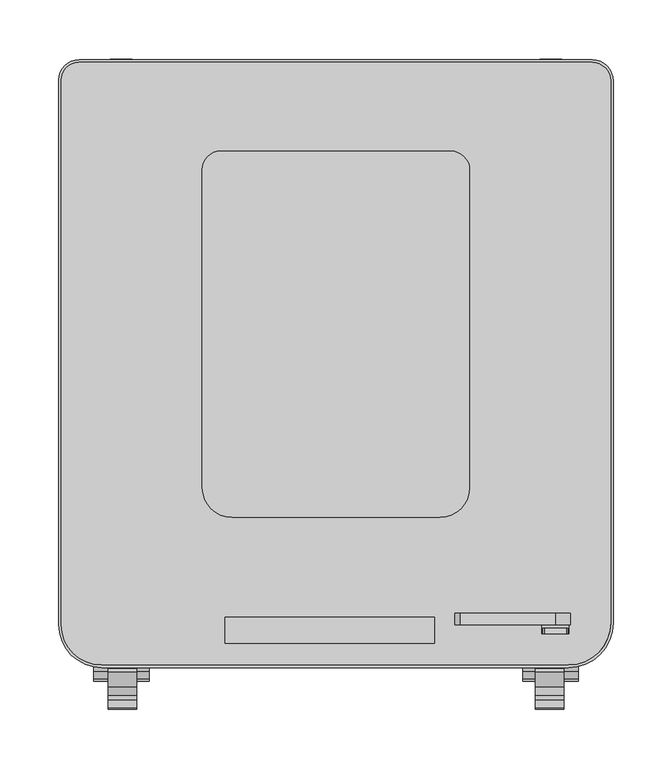
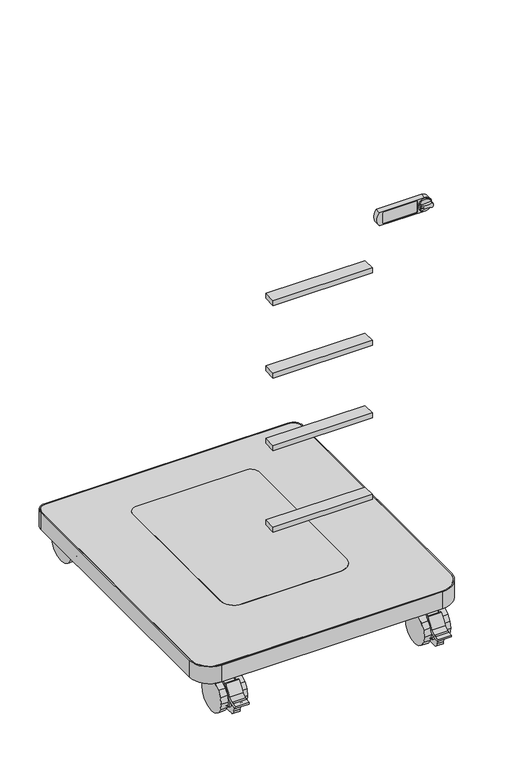
"""IFC4 building model written with IfcOpenShell, lengths in millimetres: furniture geometry."""

import ifcopenshell
import ifcopenshell.guid

model = None  # the IFC model being written
_history = None  # IfcOwnerHistory: only IFC2X3 demands one
_inside = {}  # id of a spatial element -> (the spatial element, [elements in it])
_under = {}  # id of a project, library or spatial element -> (it, [spatial elements below it])
_declared = {}  # id of a project -> (the project, [libraries it declares])
_typed = {}  # id of a type object -> (the type object, [elements of that type])
_made_of = {}  # id of a material, layer set ... -> (it, [elements and type objects made of it])


def new_model(schema):
    """Start an empty IFC model of exactly this schema.

    Asked for "IFC4X3", IfcOpenShell would pick the latest addendum, in which some entities
    have other attributes; the version numbers below select the first issue.
    IFC2X3 requires an IfcOwnerHistory on every rooted entity: one is made here for all.
    """
    global model, _history
    if schema == "IFC4X3":
        model = ifcopenshell.file(schema_version=(4, 3, 0, 0))
    else:
        model = ifcopenshell.file(schema=schema)
    _inside.clear()
    _under.clear()
    _declared.clear()
    _typed.clear()
    _made_of.clear()
    _history = None
    if model.schema == "IFC2X3":
        org = make("IfcOrganization", Name="unknown")
        user = make(
            "IfcPersonAndOrganization",
            ThePerson=make("IfcPerson", FamilyName="unknown"),
            TheOrganization=org,
        )
        app = make(
            "IfcApplication",
            ApplicationDeveloper=org,
            Version="unknown",
            ApplicationFullName="unknown",
            ApplicationIdentifier="unknown",
        )
        _history = make(
            "IfcOwnerHistory",
            OwningUser=user,
            OwningApplication=app,
            ChangeAction="ADDED",
            CreationDate=0,
        )
    return model


def make(cls, **values):
    """One entity of the class cls with the attributes given. An attribute that is None is left unset."""
    return model.create_entity(
        cls, **{name: value for name, value in values.items() if value is not None}
    )


def rooted(cls, **values):
    """An entity with a GlobalId (a new one), such as an element, a storey or a relation."""
    return make(cls, GlobalId=ifcopenshell.guid.new(), OwnerHistory=_history, **values)


def si_unit(unit_type, name, prefix=None):
    """IfcSIUnit, for example si_unit("LENGTHUNIT", "METRE", prefix="MILLI")."""
    return make("IfcSIUnit", UnitType=unit_type, Prefix=prefix, Name=name)


def assignment(units):
    """IfcUnitAssignment: the units of a project."""
    return None if units is None else make("IfcUnitAssignment", Units=units)


def point(xyz):
    """IfcCartesianPoint."""
    return None if xyz is None else make("IfcCartesianPoint", Coordinates=xyz)


def direction(xyz):
    """IfcDirection."""
    return None if xyz is None else make("IfcDirection", DirectionRatios=xyz)


def frame(location, z_axis=None, x_axis=None):
    """IfcAxis2Placement3D, a coordinate frame: its origin and axes. An axis left out is left unset."""
    return make(
        "IfcAxis2Placement3D",
        Location=point(location),
        Axis=direction(z_axis),
        RefDirection=direction(x_axis),
    )


def frame_2d(location, x_axis=None):
    """IfcAxis2Placement2D, a coordinate frame in the plane: its origin and x axis."""
    return make(
        "IfcAxis2Placement2D", Location=point(location), RefDirection=direction(x_axis)
    )


def origin():
    """The frame at (0, 0, 0) with its axes left unset."""
    return frame((0.0, 0.0, 0.0))


def place(relative_to, where):
    """IfcLocalPlacement: puts the frame where relative to a parent placement (None: the world)."""
    return make(
        "IfcLocalPlacement", PlacementRelTo=relative_to, RelativePlacement=where
    )


def context(
    kind, dimensions, precision=None, world=None, true_north=None, identifier=None
):
    """IfcGeometricRepresentationContext, for example the 3D "Model" context."""
    return make(
        "IfcGeometricRepresentationContext",
        ContextIdentifier=identifier,
        ContextType=kind,
        CoordinateSpaceDimension=dimensions,
        Precision=precision,
        WorldCoordinateSystem=world,
        TrueNorth=true_north,
    )


def project(units=None, contexts=None):
    """IfcProject with its units and contexts."""
    return rooted(
        "IfcProject",
        Name="project",
        RepresentationContexts=contexts,
        UnitsInContext=assignment(units),
    )


def spatial(cls, under=None, at=None, **own):
    """A site, building, storey or space (cls), placed at a placement, below another one or the project."""
    s = rooted(cls, ObjectPlacement=at, **own)
    if under is not None:
        _under.setdefault(under.id(), (under, []))[1].append(s)
    return s


def polyline(points):
    """IfcPolyline through the points."""
    return make("IfcPolyline", Points=[point(p) for p in points])


def circle_curve(where, radius):
    """IfcCircle in the frame where."""
    return make("IfcCircle", Position=where, Radius=radius)


def trimmed(basis, trim1, trim2, sense, master):
    """IfcTrimmedCurve: the piece of a basis curve between two trims."""
    return make(
        "IfcTrimmedCurve",
        BasisCurve=basis,
        Trim1=trim1,
        Trim2=trim2,
        SenseAgreement=sense,
        MasterRepresentation=master,
    )


def segment(curve, same_sense, transition):
    """IfcCompositeCurveSegment."""
    return make(
        "IfcCompositeCurveSegment",
        Transition=transition,
        SameSense=same_sense,
        ParentCurve=curve,
    )


def composite_curve(segments, self_intersect=None):
    """IfcCompositeCurve: segments joined end to end."""
    return make("IfcCompositeCurve", Segments=segments, SelfIntersect=self_intersect)


def outline(outer, holes=None, kind="AREA"):
    """IfcArbitraryClosedProfileDef: a profile drawn as a closed curve; with holes, ...WithVoids."""
    if holes is None:
        return make("IfcArbitraryClosedProfileDef", ProfileType=kind, OuterCurve=outer)
    return make(
        "IfcArbitraryProfileDefWithVoids",
        ProfileType=kind,
        OuterCurve=outer,
        InnerCurves=holes,
    )


def extrude(swept, where, along, depth):
    """IfcExtrudedAreaSolid: the profile swept, set in the frame where, extruded along a direction by depth."""
    return make(
        "IfcExtrudedAreaSolid",
        SweptArea=swept,
        Position=where,
        ExtrudedDirection=direction(along),
        Depth=depth,
    )


def shape(context_of_items, identifier, shape_type, items):
    """IfcShapeRepresentation: the items that make up one representation, for example the "Body"."""
    return make(
        "IfcShapeRepresentation",
        ContextOfItems=context_of_items,
        RepresentationIdentifier=identifier,
        RepresentationType=shape_type,
        Items=items,
    )


def source(mapping_origin, context_of_items, identifier, shape_type, items):
    """IfcRepresentationMap: a shape defined once, which mapped items show again and again."""
    return make(
        "IfcRepresentationMap",
        MappingOrigin=mapping_origin,
        MappedRepresentation=shape(context_of_items, identifier, shape_type, items),
    )


def transform(
    local_origin,
    x_axis=None,
    y_axis=None,
    z_axis=None,
    scale=None,
    scale2=None,
    scale3=None,
    uniform=True,
):
    """IfcCartesianTransformationOperator3D, or its non-uniform kind. x_axis, y_axis, z_axis: its Axis1, 2, 3."""
    if uniform:
        return make(
            "IfcCartesianTransformationOperator3D",
            Axis1=direction(x_axis),
            Axis2=direction(y_axis),
            LocalOrigin=point(local_origin),
            Scale=scale,
            Axis3=direction(z_axis),
        )
    return make(
        "IfcCartesianTransformationOperator3DnonUniform",
        Axis1=direction(x_axis),
        Axis2=direction(y_axis),
        LocalOrigin=point(local_origin),
        Scale=scale,
        Axis3=direction(z_axis),
        Scale2=scale2,
        Scale3=scale3,
    )


def mapped(mapping_source, mapping_target):
    """IfcMappedItem: shows the shape of a source again, moved by a transform."""
    return make(
        "IfcMappedItem", MappingSource=mapping_source, MappingTarget=mapping_target
    )


def made_of(thing, what):
    """Note that an element or type object is made of a material, layer set ...; save() writes the relation."""
    if what is not None:
        _made_of.setdefault(what.id(), (what, []))[1].append(thing)
    return thing


def element(
    cls,
    number,
    at=None,
    inside=None,
    cuts=None,
    type_object=None,
    material=None,
    context=None,
    identifier="Body",
    shape_type=None,
    held_by="IfcProductDefinitionShape",
    body=None,
    shapes=None,
    **own,
):
    """One element of the class cls, such as IfcWall. Its Tag is "e" and its number.

    at: its placement. inside: the storey or other place that contains it. cuts: it is an
    opening in that element (IfcRelVoidsElement). A single representation is given by context,
    identifier, shape_type and body (its items); several are given by shapes. held_by: the class
    of the entity that holds the representations. save() writes the other relations.
    """
    e = rooted(cls, Tag="e%d" % number, ObjectPlacement=at, **own)
    if body is not None:
        shapes = [shape(context, identifier, shape_type, body)]
    if shapes is not None:
        e.Representation = make(held_by, Representations=shapes)
    if inside is not None:
        _inside.setdefault(inside.id(), (inside, []))[1].append(e)
    if cuts is not None:
        rooted(
            "IfcRelVoidsElement", RelatingBuildingElement=cuts, RelatedOpeningElement=e
        )
    if type_object is not None:
        _typed.setdefault(type_object.id(), (type_object, []))[1].append(e)
    return made_of(e, material)


def aggregate(whole, parts):
    """IfcRelAggregates: a whole, such as a stair, and the parts it consists of."""
    return rooted("IfcRelAggregates", RelatingObject=whole, RelatedObjects=parts)


def save(model, path):
    """Write the relations noted so far, then the file.

    IfcRelAggregates (storeys below a building ...), IfcRelContainedInSpatialStructure (elements
    in a storey), IfcRelDefinesByType, IfcRelAssociatesMaterial and IfcRelDeclares: one each for
    every whole, place, type object, material and project.
    """
    for whole, parts in _under.values():
        aggregate(whole, parts)
    for where, things in _inside.values():
        rooted(
            "IfcRelContainedInSpatialStructure",
            RelatedElements=things,
            RelatingStructure=where,
        )
    for kind, things in _typed.values():
        rooted("IfcRelDefinesByType", RelatedObjects=things, RelatingType=kind)
    for what, things in _made_of.values():
        rooted("IfcRelAssociatesMaterial", RelatedObjects=things, RelatingMaterial=what)
    for by, libraries in _declared.values():
        rooted("IfcRelDeclares", RelatingContext=by, RelatedDefinitions=libraries)
    model.write(path)


def plane_surface(at):
    """IfcPlane: the flat surface through the origin of the frame at, square to its z axis."""
    return make("IfcPlane", Position=at)


def cylinder_surface(at, radius):
    """IfcCylindricalSurface: all points at the distance radius from the z axis of the frame at."""
    return make("IfcCylindricalSurface", Position=at, Radius=radius)


def revolved_surface(curve, axis_point, axis_direction):
    """IfcSurfaceOfRevolution: the curve turned about the line through axis_point along axis_direction."""
    return make(
        "IfcSurfaceOfRevolution",
        SweptCurve=make("IfcArbitraryOpenProfileDef", ProfileType="CURVE", Curve=curve),
        AxisPosition=make("IfcAxis1Placement", Location=point(axis_point), Axis=direction(axis_direction)),
    )


def advanced_brep(points, edges, surfaces, faces):
    """IfcAdvancedBrep: a solid bounded by faces that lie on surfaces and meet in shared edges.

    An edge is (start, end): straight between two places in points (the first is 0);
    or (start, end, curve); or (start, end, curve, False) where it runs against its curve.
    A face is (place in surfaces, loops), or (place, loops, False) where it looks against
    its surface's normal. A loop lists edges by number (the first is 1), with a minus sign
    where the edge is run from its end to its start. The first loop is the outer one.
    """
    corners = [point(p) for p in points]
    vertices = [make("IfcVertexPoint", VertexGeometry=c) for c in corners]
    made = []
    for start, end, *more in edges:
        made.append(
            make(
                "IfcEdgeCurve",
                EdgeStart=vertices[start],
                EdgeEnd=vertices[end],
                EdgeGeometry=more[0] if more else make("IfcPolyline", Points=[corners[start], corners[end]]),
                SameSense=more[1] if len(more) > 1 else True,
            )
        )
    hull = []
    for where, loops, *sense in faces:
        bounds = []
        for j, loop in enumerate(loops):
            ring = [make("IfcOrientedEdge", EdgeElement=made[abs(k) - 1], Orientation=k > 0) for k in loop]
            bounds.append(
                make(
                    "IfcFaceOuterBound" if j == 0 else "IfcFaceBound",
                    Bound=make("IfcEdgeLoop", EdgeList=ring),
                    Orientation=True,
                )
            )
        hull.append(make("IfcAdvancedFace", Bounds=bounds, FaceSurface=surfaces[where], SameSense=sense[0] if sense else True))
    return make("IfcAdvancedBrep", Outer=make("IfcClosedShell", CfsFaces=hull))


def furniture_078cb48d(model_context):
    return source(origin(), model_context, "Body", "SolidModel", [
        advanced_brep(
        [(174.9456059, -254.5969037, 811.7000103), (175.3338382, -254.5969037, 808.7463234), (177.0907575, -254.5969037, 807.8330439), (196.2238044, -254.5969037, 807.8028949), (197.4173736, -254.5969037, 808.7463234), (197.8056059, -254.5969037, 811.7000103), (197.4173736, -254.5969037, 814.6536973), (196.2238044, -254.5969037, 815.5971258), (177.0907575, -254.5969037, 815.5669768), (175.3338382, -254.5969037, 814.6536973), (176.9629665, -254.5969037, 812.4620103), (180.2535281, -254.5969037, 812.4620103), (180.2535281, -254.5969037, 810.9380103), (176.9629665, -254.5969037, 810.9380103), (174.9456059, -246.9769037, 811.7000103), (197.8056059, -246.9769037, 811.7000103), (197.4173736, -249.149344, 808.7463234), (175.3338382, -249.149344, 808.7463234), (175.3338382, -249.149344, 814.6536973), (197.4173736, -249.149344, 814.6536973), (196.2238044, -249.149344, 815.5971258), (177.0907575, -249.149344, 815.5669768), (196.2238044, -249.149344, 807.8028949), (177.0907575, -249.149344, 807.8330439), (180.2535281, -253.3727737, 812.4620103), (176.9629665, -253.3727737, 812.4620103), (176.9629665, -253.3727737, 810.9380103), (180.2535281, -253.3727737, 810.9380103)],
        [
            (0, 1, circle_curve(frame((186.3756059, -254.5969037, 811.7000103), z_axis=(0.0, -1.0, 0.0), x_axis=(1.0, 0.0, 0.0)), 11.43)),
            (1, 2, circle_curve(frame((176.7304878, -254.5969037, 809.2865503), z_axis=(0.0, -1.0, 0.0), x_axis=(1.0, 0.0, 0.0)), 1.4974896)),
            (2, 3, circle_curve(frame((186.5968707, -254.5969037, 769.480668), z_axis=(0.0, 1.0, 0.0), x_axis=(1.0, 0.0, 0.0)), 39.512921)),
            (3, 4, circle_curve(frame((196.020724, -254.5969037, 809.2865503), z_axis=(0.0, -1.0, 0.0), x_axis=(1.0, 0.0, 0.0)), 1.4974896)),
            (4, 5, circle_curve(frame((186.3756059, -254.5969037, 811.7000103), z_axis=(0.0, -1.0, 0.0), x_axis=(1.0, 0.0, 0.0)), 11.43)),
            (5, 6, circle_curve(frame((186.3756059, -254.5969037, 811.7000103), z_axis=(0.0, -1.0, 0.0), x_axis=(1.0, 0.0, 0.0)), 11.43)),
            (6, 7, circle_curve(frame((196.020724, -254.5969037, 814.1134703), z_axis=(0.0, -1.0, 0.0), x_axis=(1.0, 0.0, 0.0)), 1.4974896)),
            (7, 8, circle_curve(frame((186.5968707, -254.5969037, 853.9193527), z_axis=(0.0, 1.0, 0.0), x_axis=(1.0, 0.0, 0.0)), 39.512921)),
            (8, 9, circle_curve(frame((176.7304878, -254.5969037, 814.1134703), z_axis=(0.0, -1.0, 0.0), x_axis=(1.0, 0.0, 0.0)), 1.4974896)),
            (9, 0, circle_curve(frame((186.3756059, -254.5969037, 811.7000103), z_axis=(0.0, -1.0, 0.0), x_axis=(1.0, 0.0, 0.0)), 11.43)),
            (10, 11),
            (11, 12, circle_curve(frame((180.2535281, -254.5969037, 811.7000103), z_axis=(0.0, 1.0, 0.0), x_axis=(-1.0, 0.0, 0.0)), 0.762)),
            (12, 13),
            (13, 10, circle_curve(frame((176.9629665, -254.5969037, 811.7000103), z_axis=(0.0, 1.0, 0.0), x_axis=(1.0, 0.0, 0.0)), 0.762)),
            (14, 15, circle_curve(frame((186.3756059, -246.9769037, 811.7000103), z_axis=(0.0, 1.0, 0.0), x_axis=(1.0, 0.0, 0.0)), 11.43)),
            (15, 14, circle_curve(frame((186.3756059, -246.9769037, 811.7000103), z_axis=(0.0, 1.0, 0.0), x_axis=(1.0, 0.0, 0.0)), 11.43)),
            (15, 5),
            (4, 16),
            (16, 17, circle_curve(frame((186.3756059, -249.149344, 811.7000103), z_axis=(0.0, 1.0, 0.0), x_axis=(1.0, 0.0, 0.0)), 11.43)),
            (17, 1),
            (0, 14),
            (9, 18),
            (18, 19, circle_curve(frame((186.3756059, -249.149344, 811.7000103), z_axis=(0.0, 1.0, 0.0), x_axis=(1.0, 0.0, 0.0)), 11.43)),
            (19, 6),
            (20, 19, circle_curve(frame((196.020724, -249.149344, 814.1134703), z_axis=(0.0, 1.0, 0.0), x_axis=(1.0, 0.0, 0.0)), 1.4974896)),
            (18, 21, circle_curve(frame((176.7304878, -249.149344, 814.1134703), z_axis=(0.0, 1.0, 0.0), x_axis=(1.0, 0.0, 0.0)), 1.4974896)),
            (21, 20, circle_curve(frame((186.5968707, -249.149344, 853.9193527), z_axis=(0.0, -1.0, 0.0), x_axis=(1.0, 0.0, 0.0)), 39.512921)),
            (22, 23, circle_curve(frame((186.5968707, -249.149344, 769.480668), z_axis=(0.0, -1.0, 0.0), x_axis=(1.0, 0.0, 0.0)), 39.512921)),
            (23, 17, circle_curve(frame((176.7304878, -249.149344, 809.2865503), z_axis=(0.0, 1.0, 0.0), x_axis=(1.0, 0.0, 0.0)), 1.4974896)),
            (16, 22, circle_curve(frame((196.020724, -249.149344, 809.2865503), z_axis=(0.0, 1.0, 0.0), x_axis=(1.0, 0.0, 0.0)), 1.4974896)),
            (20, 7),
            (8, 21),
            (22, 3),
            (2, 23),
            (24, 25),
            (25, 26, circle_curve(frame((176.9629665, -253.3727737, 811.7000103), z_axis=(0.0, -1.0, 0.0), x_axis=(1.0, 0.0, 0.0)), 0.762)),
            (26, 27),
            (27, 24, circle_curve(frame((180.2535281, -253.3727737, 811.7000103), z_axis=(0.0, -1.0, 0.0), x_axis=(-1.0, 0.0, 0.0)), 0.762)),
            (24, 11),
            (10, 25),
            (13, 26),
            (12, 27),
        ],
        [
            plane_surface(frame((197.8056059, -254.5969037, 811.7000103), z_axis=(0.0, -1.0, 0.0), x_axis=(0.0, 0.0, 1.0))),
            plane_surface(frame((197.8056059, -246.9769037, 811.7000103), z_axis=(0.0, 1.0, 0.0), x_axis=(0.0, 0.0, -1.0))),
            cylinder_surface(frame((186.3756059, -246.9769037, 811.7000103), z_axis=(0.0, -1.0, 0.0), x_axis=(1.0, 0.0, 0.0)), 11.43),
            plane_surface(frame((197.5182136, -249.149344, 814.1134703), z_axis=(0.0, -1.0, 0.0), x_axis=(0.0, 0.0, 1.0))),
            cylinder_surface(frame((196.020724, -249.149344, 814.1134703), z_axis=(0.0, 1.0, 0.0), x_axis=(1.0, 0.0, 0.0)), 1.4974896),
            cylinder_surface(frame((176.7304878, -249.149344, 814.1134703), z_axis=(0.0, 1.0, 0.0), x_axis=(1.0, 0.0, 0.0)), 1.4974896),
            revolved_surface(polyline([(226.10979170000002, -254.5969037, 853.9193527), (226.10979170000002, -249.149344, 853.9193527)]), (186.5968707, -249.149344, 853.9193527), (0.0, -1.0, 0.0)),
            revolved_surface(polyline([(226.10979170000002, -254.5969037, 769.480668), (226.10979170000002, -249.149344, 769.480668)]), (186.5968707, -237.0709037, 769.480668), (0.0, -1.0, 0.0)),
            cylinder_surface(frame((176.7304878, -237.0709037, 809.2865503), z_axis=(0.0, 1.0, 0.0), x_axis=(1.0, 0.0, 0.0)), 1.4974896),
            cylinder_surface(frame((196.020724, -237.0709037, 809.2865503), z_axis=(0.0, 1.0, 0.0), x_axis=(1.0, 0.0, 0.0)), 1.4974896),
            plane_surface(frame((101.1693092, -253.3727737, 812.4620103), z_axis=(0.0, -1.0, 0.0), x_axis=(1.0, 0.0, 0.0))),
            plane_surface(frame((180.2535281, -254.5969037, 812.4620103), z_axis=(0.0, 0.0, -1.0), x_axis=(0.0, 1.0, 0.0))),
            revolved_surface(polyline([(177.7249665, -254.5969037, 811.7000103), (177.7249665, -253.3727737, 811.7000103)]), (176.9629665, -253.3727737, 811.7000103), (0.0, -1.0, 0.0)),
            plane_surface(frame((176.9629665, -254.5969037, 810.9380103), z_axis=(0.0, 0.0, 1.0), x_axis=(0.0, 1.0, 0.0))),
            revolved_surface(polyline([(179.4915281, -254.5969037, 811.7000103), (179.4915281, -253.3727737, 811.7000103)]), (180.2535281, -253.3727737, 811.7000103), (0.0, -1.0, 0.0)),
        ],
        [
            (0, [[1, 2, 3, 4, 5, 6, 7, 8, 9, 10], [11, 12, 13, 14]]),
            (1, [[15, 16]]),
            (2, [[-16, 17, -5, 18, 19, 20, -1, 21]]),
            (2, [[-15, -21, -10, 22, 23, 24, -6, -17]]),
            (3, [[25, -23, 26, 27]]),
            (3, [[28, 29, -19, 30]]),
            (4, [[-25, 31, -7, -24]]),
            (5, [[-26, -22, -9, 32]]),
            (6, [[-27, -32, -8, -31]]),
            (7, [[-28, 33, -3, 34]]),
            (8, [[-29, -34, -2, -20]]),
            (9, [[-30, -18, -4, -33]]),
            (10, [[35, 36, 37, 38]]),
            (11, [[-35, 39, -11, 40]]),
            (12, [[-36, -40, -14, 41]]),
            (13, [[-37, -41, -13, 42]]),
            (14, [[-38, -42, -12, -39]]),
        ],
    ),
        advanced_brep(
        [(105.8185825, -246.9769037, 824.4000103), (105.8185825, -246.9769037, 799.0000103), (186.5091543, -246.9769037, 799.0000103), (186.5091543, -246.9769037, 824.4000103), (171.2149809, -246.9769037, 800.2700103), (114.5994284, -246.9769037, 800.2700103), (112.0594284, -246.9769037, 802.8100103), (112.0594284, -246.9769037, 820.5900103), (114.5994284, -246.9769037, 823.1300103), (171.2149809, -246.9769037, 823.1300103), (173.7549809, -246.9769037, 820.5900103), (173.7549809, -246.9769037, 802.8100103), (105.8185825, -237.0709037, 824.4000103), (186.5091543, -237.0709037, 824.4000103), (186.5091543, -237.0709037, 799.0000103), (105.8185825, -237.0709037, 799.0000103), (112.0594284, -245.4701199, 802.8100103), (114.5994284, -245.4701199, 800.2700103), (171.2149809, -245.4701199, 800.2700103), (173.7549809, -245.4701199, 802.8100103), (173.7549809, -245.4701199, 820.5900103), (171.2149809, -245.4701199, 823.1300103), (114.5994284, -245.4701199, 823.1300103), (112.0594284, -245.4701199, 820.5900103)],
        [
            (0, 1, circle_curve(frame((120.8396674, -246.9769037, 811.7000103), z_axis=(0.0, -1.0, 0.0), x_axis=(1.0, 0.0, 0.0)), 19.6703582)),
            (1, 2),
            (2, 3, circle_curve(frame((186.5091543, -246.9769037, 811.7000103), z_axis=(0.0, -1.0, 0.0), x_axis=(1.0, 0.0, 0.0)), 12.7)),
            (3, 0),
            (4, 5),
            (5, 6, circle_curve(frame((114.5994284, -246.9769037, 802.8100103), z_axis=(0.0, 1.0, 0.0), x_axis=(1.0, 0.0, 0.0)), 2.54)),
            (6, 7),
            (7, 8, circle_curve(frame((114.5994284, -246.9769037, 820.5900103), z_axis=(0.0, 1.0, 0.0), x_axis=(1.0, 0.0, 0.0)), 2.54)),
            (8, 9),
            (9, 10, circle_curve(frame((171.2149809, -246.9769037, 820.5900103), z_axis=(0.0, 1.0, 0.0), x_axis=(1.0, 0.0, 0.0)), 2.54)),
            (10, 11),
            (11, 4, circle_curve(frame((171.2149809, -246.9769037, 802.8100103), z_axis=(0.0, 1.0, 0.0), x_axis=(1.0, 0.0, 0.0)), 2.54)),
            (12, 13),
            (13, 14, circle_curve(frame((186.5091543, -237.0709037, 811.7000103), z_axis=(0.0, 1.0, 0.0), x_axis=(1.0, 0.0, 0.0)), 12.7)),
            (14, 15),
            (15, 12, circle_curve(frame((120.8396674, -237.0709037, 811.7000103), z_axis=(0.0, 1.0, 0.0), x_axis=(1.0, 0.0, 0.0)), 19.6703582)),
            (1, 15),
            (14, 2),
            (3, 13),
            (12, 0),
            (16, 17, circle_curve(frame((114.5994284, -245.4701199, 802.8100103), z_axis=(0.0, -1.0, 0.0), x_axis=(1.0, 0.0, 0.0)), 2.54)),
            (17, 18),
            (18, 19, circle_curve(frame((171.2149809, -245.4701199, 802.8100103), z_axis=(0.0, -1.0, 0.0), x_axis=(1.0, 0.0, 0.0)), 2.54)),
            (19, 20),
            (20, 21, circle_curve(frame((171.2149809, -245.4701199, 820.5900103), z_axis=(0.0, -1.0, 0.0), x_axis=(1.0, 0.0, 0.0)), 2.54)),
            (21, 22),
            (22, 23, circle_curve(frame((114.5994284, -245.4701199, 820.5900103), z_axis=(0.0, -1.0, 0.0), x_axis=(1.0, 0.0, 0.0)), 2.54)),
            (23, 16),
            (17, 5),
            (4, 18),
            (19, 11),
            (10, 20),
            (21, 9),
            (8, 22),
            (23, 7),
            (6, 16),
        ],
        [
            plane_surface(frame((140.5100256, -246.9769037, 811.7000103), z_axis=(0.0, -1.0, 0.0), x_axis=(0.0, 0.0, 1.0))),
            plane_surface(frame((140.5100256, -237.0709037, 811.7000103), z_axis=(0.0, 1.0, 0.0), x_axis=(0.0, 0.0, -1.0))),
            plane_surface(frame((105.8185825, -246.9769037, 799.0000103), z_axis=(0.0, 0.0, -1.0), x_axis=(0.0, 1.0, 0.0))),
            plane_surface(frame((186.5091543, -246.9769037, 824.4000103), z_axis=(-2.7896816115999427e-12, 0.0, 1.0), x_axis=(0.0, 1.0, 0.0))),
            plane_surface(frame((117.1394284, -245.4701199, 802.8100103), z_axis=(0.0, -1.0, 0.0), x_axis=(0.0, 0.0, -1.0))),
            cylinder_surface(frame((186.5091543, -237.0709037, 811.7000103), z_axis=(0.0, -1.0, 0.0), x_axis=(1.0, 0.0, 0.0)), 12.7),
            plane_surface(frame((114.5994284, -253.3727737, 800.2700103), z_axis=(3.053095094007366e-12, 0.0, 1.0), x_axis=(0.0, 1.0, 0.0))),
            plane_surface(frame((173.7549809, -253.3727737, 802.8100103), z_axis=(-1.0, 0.0, 0.0), x_axis=(0.0, 1.0, 0.0))),
            plane_surface(frame((171.2149809, -253.3727737, 823.1300103), z_axis=(0.0, 0.0, -1.0), x_axis=(0.0, 1.0, 0.0))),
            plane_surface(frame((112.0594284, -253.3727737, 820.5900103), z_axis=(1.0, 0.0, 0.0), x_axis=(0.0, 1.0, 0.0))),
            revolved_surface(polyline([(117.1394284, -246.9769037, 802.8100103), (117.1394284, -245.4701199, 802.8100103)]), (114.5994284, -245.4701199, 802.8100103), (0.0, -1.0, 0.0)),
            revolved_surface(polyline([(173.7549809, -246.9769037, 802.8100103), (173.7549809, -245.4701199, 802.8100103)]), (171.2149809, -245.4701199, 802.8100103), (0.0, -1.0, 0.0)),
            revolved_surface(polyline([(173.7549809, -246.9769037, 820.5900103), (173.7549809, -245.4701199, 820.5900103)]), (171.2149809, -245.4701199, 820.5900103), (0.0, -1.0, 0.0)),
            revolved_surface(polyline([(117.1394284, -246.9769037, 820.5900103), (117.1394284, -245.4701199, 820.5900103)]), (114.5994284, -245.4701199, 820.5900103), (0.0, -1.0, 0.0)),
            cylinder_surface(frame((120.8396674, -237.0709037, 811.7000103), z_axis=(0.0, -1.0, 0.0), x_axis=(1.0, 0.0, 0.0)), 19.6703582),
        ],
        [
            (0, [[1, 2, 3, 4], [5, 6, 7, 8, 9, 10, 11, 12]]),
            (1, [[13, 14, 15, 16]]),
            (2, [[-2, 17, -15, 18]]),
            (3, [[-4, 19, -13, 20]]),
            (4, [[21, 22, 23, 24, 25, 26, 27, 28]]),
            (5, [[-3, -18, -14, -19]]),
            (6, [[-22, 29, -5, 30]]),
            (7, [[-24, 31, -11, 32]]),
            (8, [[-26, 33, -9, 34]]),
            (9, [[-28, 35, -7, 36]]),
            (10, [[-21, -36, -6, -29]]),
            (11, [[-23, -30, -12, -31]]),
            (12, [[-25, -32, -10, -33]]),
            (13, [[-27, -34, -8, -35]]),
            (14, [[-1, -20, -16, -17]]),
        ],
    ),
        extrude(outline(polyline([(83.7683943, -262.4708916), (-94.0316057, -262.4708916), (-94.0316057, -240.2458916), (83.7683943, -240.2458916), (83.7683943, -262.4708916)])), frame((0.0, 0.0, 727.3953971), z_axis=(0.0, 0.0, 1.0), x_axis=(1.0, 0.0, 0.0)), (0.0, 0.0, 1.0), 9.525),
        extrude(outline(polyline([(83.7683943, -262.4708916), (-94.0316057, -262.4708916), (-94.0316057, -240.2458916), (83.7683943, -240.2458916), (83.7683943, -262.4708916)])), frame((0.0, 0.0, 589.8544102), z_axis=(0.0, 0.0, 1.0), x_axis=(1.0, 0.0, 0.0)), (0.0, 0.0, 1.0), 9.525),
        extrude(outline(polyline([(83.7683943, -262.4708916), (-94.0316057, -262.4708916), (-94.0316057, -240.2458916), (83.7683943, -240.2458916), (83.7683943, -262.4708916)])), frame((0.0, 0.0, 452.3388214), z_axis=(0.0, 0.0, 1.0), x_axis=(1.0, 0.0, 0.0)), (0.0, 0.0, 1.0), 9.525),
        extrude(outline(polyline([(83.7683943, -262.4708916), (-94.0316057, -262.4708916), (-94.0316057, -240.2458916), (83.7683943, -240.2458916), (83.7683943, -262.4708916)])), frame((0.0, 0.0, 297.8559544), z_axis=(0.0, 0.0, 1.0), x_axis=(1.0, 0.0, 0.0)), (0.0, 0.0, 1.0), 9.525),
        extrude(outline(polyline([(-179.0994786, 219.6339896), (-180.6568326, 218.5933918), (-182.493839, 218.227989), (-184.3308635, 218.5933918), (-185.8882175, 219.6339896), (-186.9287972, 221.1913255), (-187.2942, 223.02835), (-186.9287972, 224.8653745), (-185.8882008, 226.422724), (-184.3308476, 227.4633148), (-182.4938432, 227.8287134), (-180.6568145, 227.4633082), (-179.099465, 226.4227118), (-178.058887, 224.8653715), (-177.6934885, 223.0283414), (-178.0588808, 221.1913255), (-179.0994786, 219.6339896)])), frame((0.0, 0.0, 64.4644836), z_axis=(0.0, 0.0, 1.0), x_axis=(1.0, 0.0, 0.0)), (0.0, 0.0, 1.0), 18.4394813),
        extrude(outline(polyline([(-179.5331367, 215.4912374), (-182.5867294, 214.8838435), (-185.6403221, 215.4912374), (-188.2290267, 217.2209647), (-189.9587358, 219.8096693), (-190.5661479, 222.8632438), (-189.9587358, 225.9168365), (-188.2290267, 228.5055411), (-185.6403221, 230.2352684), (-182.5867294, 230.8426623), (-179.5331367, 230.2352684), (-176.9444321, 228.5055411), (-175.214723, 225.9168365), (-174.6073109, 222.8632438), (-175.214723, 219.8096693), (-176.9444321, 217.2209647), (-179.5331367, 215.4912374)])), frame((0.0, 0.0, 42.749396), z_axis=(0.0, 0.0, 1.0), x_axis=(1.0, 0.0, 0.0)), (0.0, 0.0, 1.0), 21.7150876),
        extrude(outline(polyline([(231.0669235, 17.6956967), (176.8415253, 20.1710389), (173.7398433, 19.5510005), (172.2845905, 29.9669209), (174.5643932, 41.4282898), (181.166988, 51.5050866), (191.2307996, 58.3368189), (203.0283535, 60.6446177), (214.8543395, 58.3376546), (224.7952116, 51.6771827), (231.3835631, 41.6915095), (233.7329976, 30.0477231), (231.0669235, 17.6956967)])), frame((-191.9948397, 0.0, 0.0), z_axis=(1.0, 0.0, 0.0), x_axis=(0.0, 1.0, 0.0)), (0.0, 0.0, 1.0), 18.61527),
        extrude(outline(composite_curve([segment(polyline([(165.4137527, 15.3668888), (161.2879325, 29.389165), (160.8738953, 30.311933), (159.6567821, 31.3792302), (158.5488192, 31.6764368)]), True, "CONTINUOUS"), segment(trimmed(circle_curve(frame_2d((152.3525742, 65.2351803)), 34.125983), [point((158.5488192, 31.6764368))], [point((164.1098282, 33.1984873))], True, "CARTESIAN"), True, "CONTINUOUS"), segment(trimmed(circle_curve(frame_2d((159.3787246, 46.0900108)), 13.7322511), [point((164.1098282, 33.1984873))], [point((171.9941479, 40.6654544))], True, "CARTESIAN"), True, "CONTINUOUS"), segment(polyline([(171.9941479, 40.6654544), (170.8091849, 36.053247), (170.2344431, 31.7921728), (169.4784028, 30.0308182), (170.9047692, 20.6240886), (176.089609, 18.2169715), (179.2383449, 19.3801216), (188.5056208, 11.9747256), (187.7807559, 7.9109196), (180.0693261, 8.7502409), (171.2554201, 8.5984367), (170.2635475, 7.9968825), (165.8474834, 11.0963521), (165.4137527, 15.3668888)]), True, "CONTINUOUS")], self_intersect=False)), frame((-188.6020166, 0.0, 0.0), z_axis=(1.0, 0.0, 0.0), x_axis=(0.0, 1.0, 0.0)), (0.0, 0.0, 1.0), 12.1089134),
        extrude(outline(composite_curve([segment(trimmed(circle_curve(frame_2d((209.194744, 25.2798481)), 44.5006169), [point((168.076378, 42.2970418))], [point((181.2293533, 59.8954779))], False, "CARTESIAN"), True, "CONTINUOUS"), segment(trimmed(circle_curve(frame_2d((181.2293533, 57.3575877)), 2.5378903), [point((181.2293533, 59.8954779))], [point((183.7672435, 57.3575877))], False, "CARTESIAN"), True, "CONTINUOUS"), segment(trimmed(circle_curve(frame_2d((204.4798136, 30.3479474)), 34.0372036), [point((183.7672435, 57.3575877))], [point((172.3439025, 41.5646511))], True, "CARTESIAN"), True, "CONTINUOUS"), segment(trimmed(circle_curve(frame_2d((159.3787246, 46.0900108)), 13.7322511), [point((172.3439025, 41.5646511))], [point((164.1098282, 33.1984873))], False, "CARTESIAN"), True, "CONTINUOUS"), segment(trimmed(circle_curve(frame_2d((152.3525742, 65.2351803)), 34.125983), [point((164.1098282, 33.1984873))], [point((151.3259993, 31.1246414))], False, "CARTESIAN"), True, "CONTINUOUS"), segment(trimmed(circle_curve(frame_2d((151.7887278, 33.2391324)), 2.1645299), [point((151.3259993, 31.1246414))], [point((150.5701461, 35.0280563))], False, "CARTESIAN"), True, "CONTINUOUS"), segment(polyline([(150.5701461, 35.0280563), (157.4525006, 36.0478169), (161.3842622, 36.8186566)]), True, "CONTINUOUS"), segment(trimmed(circle_curve(frame_2d((159.6244174, 45.7949593)), 9.1471889), [point((161.3842622, 36.8186566))], [point((168.076378, 42.2970418))], True, "CARTESIAN"), True, "CONTINUOUS")], self_intersect=False)), frame((-193.7606684, 0.0, 0.0), z_axis=(1.0, 0.0, 0.0), x_axis=(0.0, 1.0, 0.0)), (0.0, 0.0, 1.0), 24.2623725),
        extrude(outline(polyline([(191.5804694, 2.2810114), (181.8597692, 8.7761847), (175.3645806, 18.4968985), (173.0837787, 29.9632624), (175.3645806, 41.4296251), (181.8597692, 51.150339), (191.5804694, 57.6455139), (203.046848, 59.9263158), (214.5132084, 57.6455139), (224.2339269, 51.150339), (230.7290973, 41.4296251), (233.0098992, 29.9632624), (230.7290973, 18.4968985), (224.2339269, 8.7761847), (214.5132084, 2.2810114), (203.046848, 0.0002098), (191.5804694, 2.2810114)])), frame((-171.1196031, 0.0, 0.0), z_axis=(1.0, 0.0, 0.0), x_axis=(0.0, 1.0, 0.0)), (0.0, 0.0, 1.0), 12.4101684),
        extrude(outline(polyline([(191.5804694, 2.2810114), (181.8597692, 8.7761847), (175.3645806, 18.4968985), (173.0837787, 29.9632624), (175.3645806, 41.4296251), (181.8597692, 51.150339), (191.5804694, 57.6455139), (203.046848, 59.9263158), (214.5132084, 57.6455139), (224.2339269, 51.150339), (230.7290973, 41.4296251), (233.0098992, 29.9632624), (230.7290973, 18.4968985), (224.2339269, 8.7761847), (214.5132084, 2.2810114), (203.046848, 0.0002098), (191.5804694, 2.2810114)])), frame((-206.088568, 0.0, 0.0), z_axis=(1.0, 0.0, 0.0), x_axis=(0.0, 1.0, 0.0)), (0.0, 0.0, 1.0), 12.3278995),
        extrude(outline(polyline([(179.0994786, 219.6339896), (178.0588808, 221.1913255), (177.6934885, 223.0283414), (178.058887, 224.8653715), (179.099465, 226.4227118), (180.6568145, 227.4633082), (182.4938432, 227.8287134), (184.3308476, 227.4633148), (185.8882008, 226.422724), (186.9287972, 224.8653745), (187.2942, 223.02835), (186.9287972, 221.1913255), (185.8882175, 219.6339896), (184.3308635, 218.5933918), (182.493839, 218.227989), (180.6568326, 218.5933918), (179.0994786, 219.6339896)])), frame((0.0, 0.0, 64.4644836), z_axis=(0.0, 0.0, 1.0), x_axis=(1.0, 0.0, 0.0)), (0.0, 0.0, 1.0), 18.4394813),
        extrude(outline(polyline([(179.5331367, 215.4912374), (176.9444321, 217.2209647), (175.214723, 219.8096693), (174.6073109, 222.8632438), (175.214723, 225.9168365), (176.9444321, 228.5055411), (179.5331367, 230.2352684), (182.5867294, 230.8426623), (185.6403221, 230.2352684), (188.2290267, 228.5055411), (189.9587358, 225.9168365), (190.5661479, 222.8632438), (189.9587358, 219.8096693), (188.2290267, 217.2209647), (185.6403221, 215.4912374), (182.5867294, 214.8838435), (179.5331367, 215.4912374)])), frame((0.0, 0.0, 42.749396), z_axis=(0.0, 0.0, 1.0), x_axis=(1.0, 0.0, 0.0)), (0.0, 0.0, 1.0), 21.7150876),
        extrude(outline(polyline([(231.0669235, 17.6956967), (176.8415253, 20.1710389), (173.7398433, 19.5510005), (172.2845905, 29.9669209), (174.5643932, 41.4282898), (181.166988, 51.5050866), (191.2307996, 58.3368189), (203.0283535, 60.6446177), (214.8543395, 58.3376546), (224.7952116, 51.6771827), (231.3835631, 41.6915095), (233.7329976, 30.0477231), (231.0669235, 17.6956967)])), frame((173.3795697, 0.0, 0.0), z_axis=(1.0, 0.0, 0.0), x_axis=(0.0, 1.0, 0.0)), (0.0, 0.0, 1.0), 18.61527),
        extrude(outline(composite_curve([segment(polyline([(165.4137527, 15.3668888), (161.2879325, 29.389165), (160.8738953, 30.311933), (159.6567821, 31.3792302), (158.5488192, 31.6764368)]), True, "CONTINUOUS"), segment(trimmed(circle_curve(frame_2d((152.3525742, 65.2351803)), 34.125983), [point((158.5488192, 31.6764368))], [point((164.1098282, 33.1984873))], True, "CARTESIAN"), True, "CONTINUOUS"), segment(trimmed(circle_curve(frame_2d((159.3787246, 46.0900108)), 13.7322511), [point((164.1098282, 33.1984873))], [point((171.9941479, 40.6654544))], True, "CARTESIAN"), True, "CONTINUOUS"), segment(polyline([(171.9941479, 40.6654544), (170.8091849, 36.053247), (170.2344431, 31.7921728), (169.4784028, 30.0308182), (170.9047692, 20.6240886), (176.089609, 18.2169715), (179.2383449, 19.3801216), (188.5056208, 11.9747256), (187.7807559, 7.9109196), (180.0693261, 8.7502409), (171.2554201, 8.5984367), (170.2635475, 7.9968825), (165.8474834, 11.0963521), (165.4137527, 15.3668888)]), True, "CONTINUOUS")], self_intersect=False)), frame((176.4931031, 0.0, 0.0), z_axis=(1.0, 0.0, 0.0), x_axis=(0.0, 1.0, 0.0)), (0.0, 0.0, 1.0), 12.1089134),
        extrude(outline(composite_curve([segment(trimmed(circle_curve(frame_2d((209.194744, 25.2798481)), 44.5006169), [point((168.076378, 42.2970418))], [point((181.2293533, 59.8954779))], False, "CARTESIAN"), True, "CONTINUOUS"), segment(trimmed(circle_curve(frame_2d((181.2293533, 57.3575877)), 2.5378903), [point((181.2293533, 59.8954779))], [point((183.7672435, 57.3575877))], False, "CARTESIAN"), True, "CONTINUOUS"), segment(trimmed(circle_curve(frame_2d((204.4798136, 30.3479474)), 34.0372036), [point((183.7672435, 57.3575877))], [point((172.3439025, 41.5646511))], True, "CARTESIAN"), True, "CONTINUOUS"), segment(trimmed(circle_curve(frame_2d((159.3787246, 46.0900108)), 13.7322511), [point((172.3439025, 41.5646511))], [point((164.1098282, 33.1984873))], False, "CARTESIAN"), True, "CONTINUOUS"), segment(trimmed(circle_curve(frame_2d((152.3525742, 65.2351803)), 34.125983), [point((164.1098282, 33.1984873))], [point((151.3259993, 31.1246414))], False, "CARTESIAN"), True, "CONTINUOUS"), segment(trimmed(circle_curve(frame_2d((151.7887278, 33.2391324)), 2.1645299), [point((151.3259993, 31.1246414))], [point((150.5701461, 35.0280563))], False, "CARTESIAN"), True, "CONTINUOUS"), segment(polyline([(150.5701461, 35.0280563), (157.4525006, 36.0478169), (161.3842622, 36.8186566)]), True, "CONTINUOUS"), segment(trimmed(circle_curve(frame_2d((159.6244174, 45.7949593)), 9.1471889), [point((161.3842622, 36.8186566))], [point((168.076378, 42.2970418))], True, "CARTESIAN"), True, "CONTINUOUS")], self_intersect=False)), frame((169.4982959, 0.0, 0.0), z_axis=(1.0, 0.0, 0.0), x_axis=(0.0, 1.0, 0.0)), (0.0, 0.0, 1.0), 24.2623725),
        extrude(outline(polyline([(191.5804694, 2.2810114), (181.8597692, 8.7761847), (175.3645806, 18.4968985), (173.0837787, 29.9632624), (175.3645806, 41.4296251), (181.8597692, 51.150339), (191.5804694, 57.6455139), (203.046848, 59.9263158), (214.5132084, 57.6455139), (224.2339269, 51.150339), (230.7290973, 41.4296251), (233.0098992, 29.9632624), (230.7290973, 18.4968985), (224.2339269, 8.7761847), (214.5132084, 2.2810114), (203.046848, 0.0002098), (191.5804694, 2.2810114)])), frame((158.7094347, 0.0, 0.0), z_axis=(1.0, 0.0, 0.0), x_axis=(0.0, 1.0, 0.0)), (0.0, 0.0, 1.0), 12.4101684),
        extrude(outline(polyline([(191.5804694, 2.2810114), (181.8597692, 8.7761847), (175.3645806, 18.4968985), (173.0837787, 29.9632624), (175.3645806, 41.4296251), (181.8597692, 51.150339), (191.5804694, 57.6455139), (203.046848, 59.9263158), (214.5132084, 57.6455139), (224.2339269, 51.150339), (230.7290973, 41.4296251), (233.0098992, 29.9632624), (230.7290973, 18.4968985), (224.2339269, 8.7761847), (214.5132084, 2.2810114), (203.046848, 0.0002098), (191.5804694, 2.2810114)])), frame((193.7606684, 0.0, 0.0), z_axis=(1.0, 0.0, 0.0), x_axis=(0.0, 1.0, 0.0)), (0.0, 0.0, 1.0), 12.3278995),
        extrude(outline(polyline([(179.0994786, -248.2925117), (178.0588808, -246.7351758), (177.6934885, -244.8981599), (178.058887, -243.0611298), (179.099465, -241.5037895), (180.6568145, -240.463193), (182.4938432, -240.0977879), (184.3308476, -240.4631865), (185.8882008, -241.5037773), (186.9287972, -243.0611268), (187.2942, -244.8981513), (186.9287972, -246.7351758), (185.8882175, -248.2925117), (184.3308635, -249.3331095), (182.493839, -249.6985123), (180.6568326, -249.3331095), (179.0994786, -248.2925117)])), frame((0.0, 0.0, 64.4644836), z_axis=(0.0, 0.0, 1.0), x_axis=(1.0, 0.0, 0.0)), (0.0, 0.0, 1.0), 18.4394813),
        extrude(outline(polyline([(179.5331367, -252.4352639), (176.9444321, -250.7055366), (175.214723, -248.116832), (174.6073109, -245.0632575), (175.214723, -242.0096648), (176.9444321, -239.4209601), (179.5331367, -237.6912329), (182.5867294, -237.083839), (185.6403221, -237.6912329), (188.2290267, -239.4209601), (189.9587358, -242.0096648), (190.5661479, -245.0632575), (189.9587358, -248.116832), (188.2290267, -250.7055366), (185.6403221, -252.4352639), (182.5867294, -253.0426578), (179.5331367, -252.4352639)])), frame((0.0, 0.0, 42.749396), z_axis=(0.0, 0.0, 1.0), x_axis=(1.0, 0.0, 0.0)), (0.0, 0.0, 1.0), 21.7150876),
        extrude(outline(polyline([(-236.8595778, 17.6956967), (-291.084976, 20.1710389), (-294.186658, 19.5510005), (-295.6419107, 29.9669209), (-293.362108, 41.4282898), (-286.7595132, 51.5050866), (-276.6957016, 58.3368189), (-264.8981478, 60.6446177), (-253.0721618, 58.3376546), (-243.1312896, 51.6771827), (-236.5429381, 41.6915095), (-234.1935037, 30.0477231), (-236.8595778, 17.6956967)])), frame((173.3795697, 0.0, 0.0), z_axis=(1.0, 0.0, 0.0), x_axis=(0.0, 1.0, 0.0)), (0.0, 0.0, 1.0), 18.61527),
        extrude(outline(composite_curve([segment(polyline([(-302.5127486, 15.3668888), (-306.6385687, 29.389165), (-307.052606, 30.311933), (-308.2697192, 31.3792302), (-309.3776821, 31.6764368)]), True, "CONTINUOUS"), segment(trimmed(circle_curve(frame_2d((-315.573927, 65.2351803)), 34.125983), [point((-309.3776821, 31.6764368))], [point((-303.816673, 33.1984873))], True, "CARTESIAN"), True, "CONTINUOUS"), segment(trimmed(circle_curve(frame_2d((-308.5477767, 46.0900108)), 13.7322511), [point((-303.816673, 33.1984873))], [point((-295.9323533, 40.6654544))], True, "CARTESIAN"), True, "CONTINUOUS"), segment(polyline([(-295.9323533, 40.6654544), (-297.1173164, 36.053247), (-297.6920581, 31.7921728), (-298.4480985, 30.0308182), (-297.021732, 20.6240886), (-291.8368923, 18.2169715), (-288.6881564, 19.3801216), (-279.4208805, 11.9747256), (-280.1457454, 7.9109196), (-287.8571752, 8.7502409), (-296.6710812, 8.5984367), (-297.6629538, 7.9968825), (-302.0790178, 11.0963521), (-302.5127486, 15.3668888)]), True, "CONTINUOUS")], self_intersect=False)), frame((176.4931031, 0.0, 0.0), z_axis=(1.0, 0.0, 0.0), x_axis=(0.0, 1.0, 0.0)), (0.0, 0.0, 1.0), 12.1089134),
        extrude(outline(composite_curve([segment(trimmed(circle_curve(frame_2d((-258.7317573, 25.2798481)), 44.5006169), [point((-299.8501233, 42.2970418))], [point((-286.697148, 59.8954779))], False, "CARTESIAN"), True, "CONTINUOUS"), segment(trimmed(circle_curve(frame_2d((-286.697148, 57.3575877)), 2.5378903), [point((-286.697148, 59.8954779))], [point((-284.1592577, 57.3575877))], False, "CARTESIAN"), True, "CONTINUOUS"), segment(trimmed(circle_curve(frame_2d((-263.4466876, 30.3479474)), 34.0372036), [point((-284.1592577, 57.3575877))], [point((-295.5825988, 41.5646511))], True, "CARTESIAN"), True, "CONTINUOUS"), segment(trimmed(circle_curve(frame_2d((-308.5477767, 46.0900108)), 13.7322511), [point((-295.5825988, 41.5646511))], [point((-303.816673, 33.1984873))], False, "CARTESIAN"), True, "CONTINUOUS"), segment(trimmed(circle_curve(frame_2d((-315.573927, 65.2351803)), 34.125983), [point((-303.816673, 33.1984873))], [point((-316.600502, 31.1246414))], False, "CARTESIAN"), True, "CONTINUOUS"), segment(trimmed(circle_curve(frame_2d((-316.1377734, 33.2391324)), 2.1645299), [point((-316.600502, 31.1246414))], [point((-317.3563551, 35.0280563))], False, "CARTESIAN"), True, "CONTINUOUS"), segment(polyline([(-317.3563551, 35.0280563), (-310.4740007, 36.0478169), (-306.542239, 36.8186566)]), True, "CONTINUOUS"), segment(trimmed(circle_curve(frame_2d((-308.3020839, 45.7949593)), 9.1471889), [point((-306.542239, 36.8186566))], [point((-299.8501233, 42.2970418))], True, "CARTESIAN"), True, "CONTINUOUS")], self_intersect=False)), frame((169.4982959, 0.0, 0.0), z_axis=(1.0, 0.0, 0.0), x_axis=(0.0, 1.0, 0.0)), (0.0, 0.0, 1.0), 24.2623725),
        extrude(outline(polyline([(-276.3460319, 2.2810114), (-286.0667321, 8.7761847), (-292.5619207, 18.4968985), (-294.8427226, 29.9632624), (-292.5619207, 41.4296251), (-286.0667321, 51.150339), (-276.3460319, 57.6455139), (-264.8796533, 59.9263158), (-253.4132928, 57.6455139), (-243.6925744, 51.150339), (-237.197404, 41.4296251), (-234.9166021, 29.9632624), (-237.197404, 18.4968985), (-243.6925744, 8.7761847), (-253.4132928, 2.2810114), (-264.8796533, 0.0002098), (-276.3460319, 2.2810114)])), frame((158.7094347, 0.0, 0.0), z_axis=(1.0, 0.0, 0.0), x_axis=(0.0, 1.0, 0.0)), (0.0, 0.0, 1.0), 12.4101684),
        extrude(outline(polyline([(-276.3460319, 2.2810114), (-286.0667321, 8.7761847), (-292.5619207, 18.4968985), (-294.8427226, 29.9632624), (-292.5619207, 41.4296251), (-286.0667321, 51.150339), (-276.3460319, 57.6455139), (-264.8796533, 59.9263158), (-253.4132928, 57.6455139), (-243.6925744, 51.150339), (-237.197404, 41.4296251), (-234.9166021, 29.9632624), (-237.197404, 18.4968985), (-243.6925744, 8.7761847), (-253.4132928, 2.2810114), (-264.8796533, 0.0002098), (-276.3460319, 2.2810114)])), frame((193.7606684, 0.0, 0.0), z_axis=(1.0, 0.0, 0.0), x_axis=(0.0, 1.0, 0.0)), (0.0, 0.0, 1.0), 12.3278995),
        extrude(outline(polyline([(-179.0994786, -248.2925117), (-180.6568326, -249.3331095), (-182.493839, -249.6985123), (-184.3308635, -249.3331095), (-185.8882175, -248.2925117), (-186.9287972, -246.7351758), (-187.2942, -244.8981513), (-186.9287972, -243.0611268), (-185.8882008, -241.5037773), (-184.3308476, -240.4631865), (-182.4938432, -240.0977879), (-180.6568145, -240.463193), (-179.099465, -241.5037895), (-178.058887, -243.0611298), (-177.6934885, -244.8981599), (-178.0588808, -246.7351758), (-179.0994786, -248.2925117)])), frame((0.0, 0.0, 64.4644836), z_axis=(0.0, 0.0, 1.0), x_axis=(1.0, 0.0, 0.0)), (0.0, 0.0, 1.0), 18.4394813),
        extrude(outline(polyline([(-179.5331367, -252.4352639), (-182.5867294, -253.0426578), (-185.6403221, -252.4352639), (-188.2290267, -250.7055366), (-189.9587358, -248.116832), (-190.5661479, -245.0632575), (-189.9587358, -242.0096648), (-188.2290267, -239.4209601), (-185.6403221, -237.6912329), (-182.5867294, -237.083839), (-179.5331367, -237.6912329), (-176.9444321, -239.4209601), (-175.214723, -242.0096648), (-174.6073109, -245.0632575), (-175.214723, -248.116832), (-176.9444321, -250.7055366), (-179.5331367, -252.4352639)])), frame((0.0, 0.0, 42.749396), z_axis=(0.0, 0.0, 1.0), x_axis=(1.0, 0.0, 0.0)), (0.0, 0.0, 1.0), 21.7150876),
        extrude(outline(polyline([(-236.8595778, 17.6956967), (-291.084976, 20.1710389), (-294.186658, 19.5510005), (-295.6419107, 29.9669209), (-293.362108, 41.4282898), (-286.7595132, 51.5050866), (-276.6957016, 58.3368189), (-264.8981478, 60.6446177), (-253.0721618, 58.3376546), (-243.1312896, 51.6771827), (-236.5429381, 41.6915095), (-234.1935037, 30.0477231), (-236.8595778, 17.6956967)])), frame((-191.9948397, 0.0, 0.0), z_axis=(1.0, 0.0, 0.0), x_axis=(0.0, 1.0, 0.0)), (0.0, 0.0, 1.0), 18.61527),
        extrude(outline(composite_curve([segment(polyline([(-302.5127486, 15.3668888), (-306.6385687, 29.389165), (-307.052606, 30.311933), (-308.2697192, 31.3792302), (-309.3776821, 31.6764368)]), True, "CONTINUOUS"), segment(trimmed(circle_curve(frame_2d((-315.573927, 65.2351803)), 34.125983), [point((-309.3776821, 31.6764368))], [point((-303.816673, 33.1984873))], True, "CARTESIAN"), True, "CONTINUOUS"), segment(trimmed(circle_curve(frame_2d((-308.5477767, 46.0900108)), 13.7322511), [point((-303.816673, 33.1984873))], [point((-295.9323533, 40.6654544))], True, "CARTESIAN"), True, "CONTINUOUS"), segment(polyline([(-295.9323533, 40.6654544), (-297.1173164, 36.053247), (-297.6920581, 31.7921728), (-298.4480985, 30.0308182), (-297.021732, 20.6240886), (-291.8368923, 18.2169715), (-288.6881564, 19.3801216), (-279.4208805, 11.9747256), (-280.1457454, 7.9109196), (-287.8571752, 8.7502409), (-296.6710812, 8.5984367), (-297.6629538, 7.9968825), (-302.0790178, 11.0963521), (-302.5127486, 15.3668888)]), True, "CONTINUOUS")], self_intersect=False)), frame((-188.6020166, 0.0, 0.0), z_axis=(1.0, 0.0, 0.0), x_axis=(0.0, 1.0, 0.0)), (0.0, 0.0, 1.0), 12.1089134),
        extrude(outline(composite_curve([segment(trimmed(circle_curve(frame_2d((-258.7317573, 25.2798481)), 44.5006169), [point((-299.8501233, 42.2970418))], [point((-286.697148, 59.8954779))], False, "CARTESIAN"), True, "CONTINUOUS"), segment(trimmed(circle_curve(frame_2d((-286.697148, 57.3575877)), 2.5378903), [point((-286.697148, 59.8954779))], [point((-284.1592577, 57.3575877))], False, "CARTESIAN"), True, "CONTINUOUS"), segment(trimmed(circle_curve(frame_2d((-263.4466876, 30.3479474)), 34.0372036), [point((-284.1592577, 57.3575877))], [point((-295.5825988, 41.5646511))], True, "CARTESIAN"), True, "CONTINUOUS"), segment(trimmed(circle_curve(frame_2d((-308.5477767, 46.0900108)), 13.7322511), [point((-295.5825988, 41.5646511))], [point((-303.816673, 33.1984873))], False, "CARTESIAN"), True, "CONTINUOUS"), segment(trimmed(circle_curve(frame_2d((-315.573927, 65.2351803)), 34.125983), [point((-303.816673, 33.1984873))], [point((-316.600502, 31.1246414))], False, "CARTESIAN"), True, "CONTINUOUS"), segment(trimmed(circle_curve(frame_2d((-316.1377734, 33.2391324)), 2.1645299), [point((-316.600502, 31.1246414))], [point((-317.3563551, 35.0280563))], False, "CARTESIAN"), True, "CONTINUOUS"), segment(polyline([(-317.3563551, 35.0280563), (-310.4740007, 36.0478169), (-306.542239, 36.8186566)]), True, "CONTINUOUS"), segment(trimmed(circle_curve(frame_2d((-308.3020839, 45.7949593)), 9.1471889), [point((-306.542239, 36.8186566))], [point((-299.8501233, 42.2970418))], True, "CARTESIAN"), True, "CONTINUOUS")], self_intersect=False)), frame((-193.7606684, 0.0, 0.0), z_axis=(1.0, 0.0, 0.0), x_axis=(0.0, 1.0, 0.0)), (0.0, 0.0, 1.0), 24.2623725),
        extrude(outline(polyline([(-276.3460319, 2.2810114), (-286.0667321, 8.7761847), (-292.5619207, 18.4968985), (-294.8427226, 29.9632624), (-292.5619207, 41.4296251), (-286.0667321, 51.150339), (-276.3460319, 57.6455139), (-264.8796533, 59.9263158), (-253.4132928, 57.6455139), (-243.6925744, 51.150339), (-237.197404, 41.4296251), (-234.9166021, 29.9632624), (-237.197404, 18.4968985), (-243.6925744, 8.7761847), (-253.4132928, 2.2810114), (-264.8796533, 0.0002098), (-276.3460319, 2.2810114)])), frame((-171.1196031, 0.0, 0.0), z_axis=(1.0, 0.0, 0.0), x_axis=(0.0, 1.0, 0.0)), (0.0, 0.0, 1.0), 12.4101684),
        extrude(outline(polyline([(-276.3460319, 2.2810114), (-286.0667321, 8.7761847), (-292.5619207, 18.4968985), (-294.8427226, 29.9632624), (-292.5619207, 41.4296251), (-286.0667321, 51.150339), (-276.3460319, 57.6455139), (-264.8796533, 59.9263158), (-253.4132928, 57.6455139), (-243.6925744, 51.150339), (-237.197404, 41.4296251), (-234.9166021, 29.9632624), (-237.197404, 18.4968985), (-243.6925744, 8.7761847), (-253.4132928, 2.2810114), (-264.8796533, 0.0002098), (-276.3460319, 2.2810114)])), frame((-206.088568, 0.0, 0.0), z_axis=(1.0, 0.0, 0.0), x_axis=(0.0, 1.0, 0.0)), (0.0, 0.0, 1.0), 12.3278995),
        extrude(outline(composite_curve([segment(trimmed(circle_curve(frame_2d((-97.7976643, 139.8056016)), 15.7703492), [point((-113.5680134, 139.8056016))], [point((-97.7976643, 155.5759508))], False, "CARTESIAN"), True, "CONTINUOUS"), segment(polyline([(-97.7976643, 155.5759508), (97.3477006, 155.5759508)]), True, "CONTINUOUS"), segment(trimmed(circle_curve(frame_2d((97.3477006, 139.3556379)), 16.2203129), [point((97.3477006, 155.5759508))], [point((113.5680134, 139.3556379))], False, "CARTESIAN"), True, "CONTINUOUS"), segment(polyline([(113.5680134, 139.3556379), (113.5680134, -130.1759508)]), True, "CONTINUOUS"), segment(trimmed(circle_curve(frame_2d((88.1680134, -130.1759508)), 25.4), [point((113.5680134, -130.1759508))], [point((88.1680134, -155.5759508))], False, "CARTESIAN"), True, "CONTINUOUS"), segment(polyline([(88.1680134, -155.5759508), (-88.1680134, -155.5759508)]), True, "CONTINUOUS"), segment(trimmed(circle_curve(frame_2d((-88.1680134, -130.1759508)), 25.4), [point((-88.1680134, -155.5759508))], [point((-113.5680134, -130.1759508))], False, "CARTESIAN"), True, "CONTINUOUS"), segment(polyline([(-113.5680134, -130.1759508), (-113.5680134, 139.8056016)]), True, "CONTINUOUS")], self_intersect=False)), frame((0.0, 0.0, 52.5399919), z_axis=(0.0, 0.0, 1.0), x_axis=(1.0, 0.0, 0.0)), (0.0, 0.0, 1.0), 42.1969308),
        extrude(outline(composite_curve([segment(trimmed(circle_curve(frame_2d((217.9321389, 215.3306945)), 15.4970016), [point((217.9321389, 230.8276961))], [point((233.4291405, 215.3306945))], False, "CARTESIAN"), True, "CONTINUOUS"), segment(polyline([(233.4291405, 215.3306945), (233.4291405, -244.9743339)]), True, "CONTINUOUS"), segment(trimmed(circle_curve(frame_2d((197.5695282, -244.9743339)), 35.8596123), [point((233.4291405, -244.9743339))], [point((197.5695282, -280.8339461))], False, "CARTESIAN"), True, "CONTINUOUS"), segment(polyline([(197.5695282, -280.8339461), (-199.1290398, -280.8339461)]), True, "CONTINUOUS"), segment(trimmed(circle_curve(frame_2d((-199.1290398, -246.5338454)), 34.3001007), [point((-199.1290398, -280.8339461))], [point((-233.4291405, -246.5338454))], False, "CARTESIAN"), True, "CONTINUOUS"), segment(polyline([(-233.4291405, -246.5338454), (-233.4291405, 215.9990939)]), True, "CONTINUOUS"), segment(trimmed(circle_curve(frame_2d((-218.6005383, 215.9990939)), 14.8286022), [point((-233.4291405, 215.9990939))], [point((-218.6005383, 230.8276961))], False, "CARTESIAN"), True, "CONTINUOUS"), segment(polyline([(-218.6005383, 230.8276961), (217.9321389, 230.8276961)]), True, "CONTINUOUS")], self_intersect=False)), frame((0.0, 0.0, 90.0207047), z_axis=(0.0, 0.0, 1.0), x_axis=(1.0, 0.0, 0.0)), (0.0, 0.0, 1.0), 4.716218),
        extrude(outline(composite_curve([segment(trimmed(circle_curve(frame_2d((217.7362, 215.3306945)), 17.7830016), [point((217.7362, 233.1136961))], [point((235.5192016, 215.3306945))], False, "CARTESIAN"), True, "CONTINUOUS"), segment(polyline([(235.5192016, 215.3306945), (235.5192016, -245.0199461)]), True, "CONTINUOUS"), segment(trimmed(circle_curve(frame_2d((197.4192016, -245.0199461)), 38.1), [point((235.5192016, -245.0199461))], [point((197.4192016, -283.1199461))], False, "CARTESIAN"), True, "CONTINUOUS"), segment(polyline([(197.4192016, -283.1199461), (-198.9331009, -283.1199461)]), True, "CONTINUOUS"), segment(trimmed(circle_curve(frame_2d((-198.9331009, -246.5338454)), 36.5861007), [point((-198.9331009, -283.1199461))], [point((-235.5192016, -246.5338454))], False, "CARTESIAN"), True, "CONTINUOUS"), segment(polyline([(-235.5192016, -246.5338454), (-235.5192016, 215.9990939)]), True, "CONTINUOUS"), segment(trimmed(circle_curve(frame_2d((-218.4045994, 215.9990939)), 17.1146022), [point((-235.5192016, 215.9990939))], [point((-218.4045994, 233.1136961))], False, "CARTESIAN"), True, "CONTINUOUS"), segment(polyline([(-218.4045994, 233.1136961), (217.7362, 233.1136961)]), True, "CONTINUOUS")], self_intersect=False), holes=[composite_curve([segment(polyline([(-233.4291405, 215.9990939), (-233.4291405, -246.5338454)]), True, "CONTINUOUS"), segment(trimmed(circle_curve(frame_2d((-199.1290398, -246.5338454)), 34.3001007), [point((-233.4291405, -246.5338454))], [point((-199.1290398, -280.8339461))], True, "CARTESIAN"), True, "CONTINUOUS"), segment(polyline([(-199.1290398, -280.8339461), (197.6151405, -280.8339461)]), True, "CONTINUOUS"), segment(trimmed(circle_curve(frame_2d((197.6151405, -245.0199461)), 35.814), [point((197.6151405, -280.8339461))], [point((233.4291405, -245.0199461))], True, "CARTESIAN"), True, "CONTINUOUS"), segment(polyline([(233.4291405, -245.0199461), (233.4291405, 215.3306945)]), True, "CONTINUOUS"), segment(trimmed(circle_curve(frame_2d((217.9321389, 215.3306945)), 15.4970016), [point((233.4291405, 215.3306945))], [point((217.9321389, 230.8276961))], True, "CARTESIAN"), True, "CONTINUOUS"), segment(polyline([(217.9321389, 230.8276961), (-218.6005383, 230.8276961)]), True, "CONTINUOUS"), segment(trimmed(circle_curve(frame_2d((-218.6005383, 215.9990939)), 14.8286022), [point((-218.6005383, 230.8276961))], [point((-233.4291405, 215.9990939))], True, "CARTESIAN"), True, "CONTINUOUS")], self_intersect=False)]), frame((0.0, 0.0, 62.9873141), z_axis=(0.0, 0.0, 1.0), x_axis=(1.0, 0.0, 0.0)), (0.0, 0.0, 1.0), 31.7496086),
    ])


if __name__ == "__main__":
    model = new_model("IFC4")
    model_context = context("Model", 3, world=origin())
    ifc_project = project(units=[si_unit("LENGTHUNIT", "METRE", prefix="MILLI")], contexts=[model_context])
    site = spatial("IfcSite", under=ifc_project)
    building = spatial("IfcBuilding", under=site)
    placement = place(None, origin())
    furniture_shape = furniture_078cb48d(model_context)
    element("IfcFurniture", 1, at=placement, inside=building, context=model_context, shape_type="MappedRepresentation", body=[
        mapped(furniture_shape, transform((0.0, 0.0, 0.0), x_axis=(1.0, 0.0, 0.0), y_axis=(0.0, 1.0, 0.0), z_axis=(0.0, 0.0, 1.0))),
    ])
    save(model, "model.ifc")
